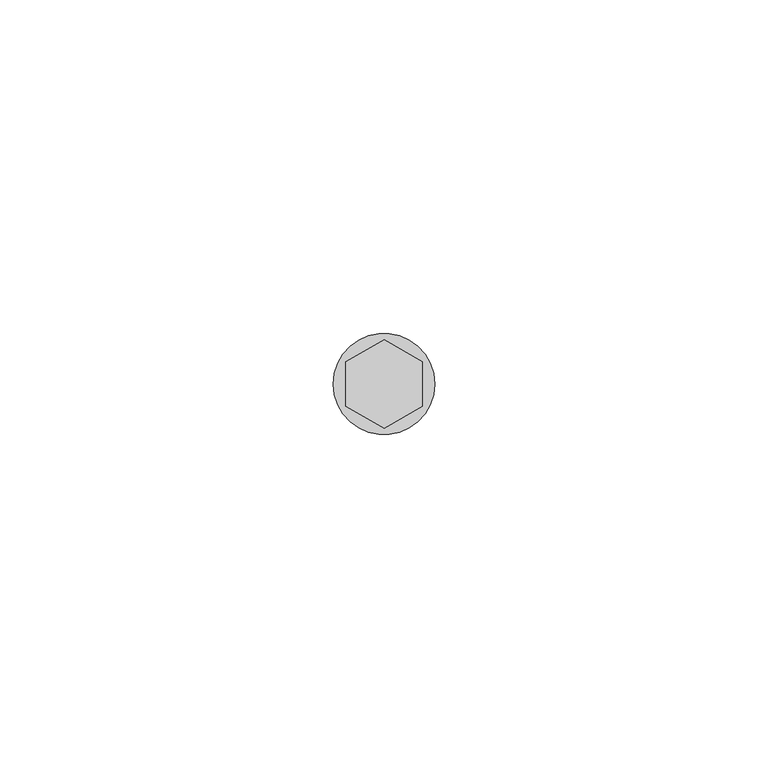
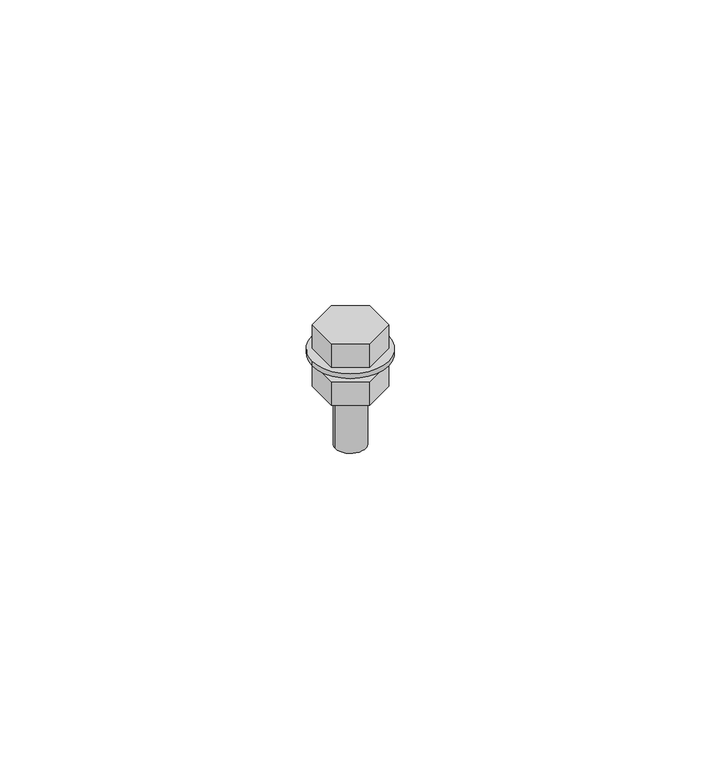
"""IFC4 building model written with IfcOpenShell, lengths in millimetres: proxy geometry."""

from ifc_helpers import new_model, si_unit, point, frame, origin, origin_with_axes, origin_2d, place, context, project, spatial, polyline, circle_curve, trimmed, segment, composite_curve, outline, extrude, source, transform, mapped, element, save


def generic_models_c9f6674f(model_context):
    return source(origin(), model_context, "Body", "SweptSolid", [
        extrude(outline(polyline([(0.0, -6.6082069), (-5.722875, -3.3041034), (-5.722875, 3.3041034), (0.0, 6.6082069), (5.722875, 3.3041034), (5.722875, -3.3041034), (0.0, -6.6082069)])), frame((0.0, 0.0, 8.0), z_axis=(0.0, 0.0, 1.0), x_axis=(1.0, 0.0, 0.0)), (0.0, 0.0, 1.0), 5.0),
        extrude(outline(composite_curve([segment(trimmed(circle_curve(origin_2d(), 7.6155736), [point((-7.6155736, 0.0))], [point((7.6155736, 0.0))], False, "CARTESIAN"), True, "CONTINUOUS"), segment(trimmed(circle_curve(origin_2d(), 7.6155736), [point((7.6155736, 0.0))], [point((-7.6155736, 0.0))], False, "CARTESIAN"), True, "CONTINUOUS")], self_intersect=False), holes=[composite_curve([segment(trimmed(circle_curve(origin_2d(), 3.0), [point((-3.0, 0.0))], [point((3.0, 0.0))], True, "CARTESIAN"), True, "CONTINUOUS"), segment(trimmed(circle_curve(origin_2d(), 3.0), [point((3.0, 0.0))], [point((-3.0, 0.0))], True, "CARTESIAN"), True, "CONTINUOUS")], self_intersect=False)]), frame((0.0, 0.0, 7.0), z_axis=(0.0, 0.0, 1.0), x_axis=(1.0, 0.0, 0.0)), (0.0, 0.0, 1.0), 1.0),
        extrude(outline(polyline([(0.0, -6.6082069), (-5.722875, -3.3041034), (-5.722875, 3.3041034), (0.0, 6.6082069), (5.722875, 3.3041034), (5.722875, -3.3041034), (0.0, -6.6082069)]), holes=[composite_curve([segment(trimmed(circle_curve(origin_2d(), 3.0), [point((-3.0, 0.0))], [point((3.0, 0.0))], True, "CARTESIAN"), True, "CONTINUOUS"), segment(trimmed(circle_curve(origin_2d(), 3.0), [point((3.0, 0.0))], [point((-3.0, 0.0))], True, "CARTESIAN"), True, "CONTINUOUS")], self_intersect=False)]), origin_with_axes(), (0.0, 0.0, 1.0), 5.0),
        extrude(outline(composite_curve([segment(trimmed(circle_curve(origin_2d(), 3.0), [point((-3.0, 0.0))], [point((3.0, 0.0))], False, "CARTESIAN"), True, "CONTINUOUS"), segment(trimmed(circle_curve(origin_2d(), 3.0), [point((3.0, 0.0))], [point((-3.0, 0.0))], False, "CARTESIAN"), True, "CONTINUOUS")], self_intersect=False)), frame((0.0, 0.0, -12.0), z_axis=(0.0, 0.0, 1.0), x_axis=(1.0, 0.0, 0.0)), (0.0, 0.0, 1.0), 19.0),
    ])


if __name__ == "__main__":
    model = new_model("IFC4")
    model_context = context("Model", 3, world=origin())
    ifc_project = project(units=[si_unit("LENGTHUNIT", "METRE", prefix="MILLI")], contexts=[model_context])
    site = spatial("IfcSite", under=ifc_project)
    building = spatial("IfcBuilding", under=site)
    placement = place(None, origin())
    generic_models_shape = generic_models_c9f6674f(model_context)
    element("IfcBuildingElementProxy", 1, Name="Generic Models", at=placement, inside=building, context=model_context, shape_type="MappedRepresentation", body=[
        mapped(generic_models_shape, transform((0.0, 0.0, 0.0), x_axis=(1.0, 0.0, 0.0), y_axis=(0.0, 1.0, 0.0), z_axis=(0.0, 0.0, 1.0))),
    ])
    save(model, "model.ifc")
